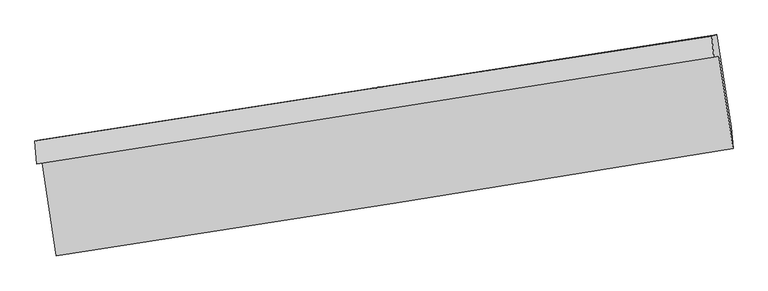
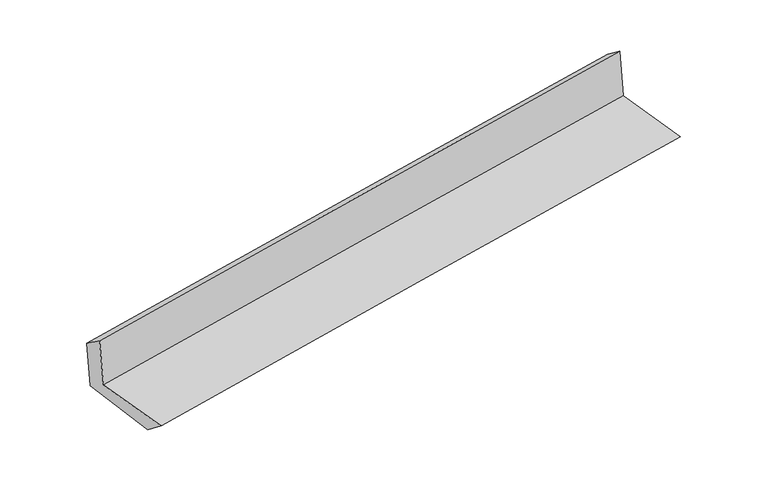
"""IFC4 building model written with IfcOpenShell, lengths in millimetres: proxy geometry."""

from ifc_helpers import new_model, si_unit, frame, origin, place, context, project, spatial, source, transform, mapped, element, save
from ifc_brep_helpers import plane_surface, spline_curve, spline_surface, advanced_brep


def generic_models_4b5380cd(model_context):
    return source(origin(), model_context, "Body", "AdvancedBrep", [
        advanced_brep(
        [(-2406.4180151, -1884.544536, 1670.5657718), (-2306.6859818, -2542.2201892, 1675.7582681), (2456.4452508, -1782.9984342, 2092.1851724), (2356.6083008, -1133.1177526, 2094.3003042), (-2442.8004568, -1892.2804497, 2078.7608664), (2320.2051841, -1140.8576079, 2502.6413637), (-2456.3768226, -1733.0315476, 1962.605565), (2307.5730424, -991.6041547, 2391.2733336), (-2421.8886227, -1724.5584786, 1573.7754659), (2342.0674606, -983.1301353, 2002.4438069), (-2319.8774766, -2374.835492, 1541.9485364), (2444.6810731, -1633.3150637, 1970.672326)],
        [
            (0, 1),
            (1, 2, spline_curve(3, [(-2306.6859818, -2542.2201892, 1675.7582681), (-1509.578244665, -2419.90136327, 1753.628196601), (-712.465620628, -2295.203739982, 1827.3912002), (875.244870143, -2042.091039392, 1966.133211902), (1665.842656778, -1913.714744138, 2031.179176402), (2456.4452508, -1782.9984342, 2092.1851724)], [4, 2, 4], [0.0, 7.97377940344578, 15.882292175509267])),
            (2, 3),
            (3, 0, spline_curve(3, [(2356.6083008, -1133.1177526, 2094.3003042), (1565.846135925, -1259.906168652, 2029.626396656), (775.176907181, -1385.666192873, 1962.13496545), (-812.500071953, -1636.158831429, 1820.936817615), (-1609.506281703, -1760.874401648, 1747.18340469), (-2406.4180151, -1884.544536, 1670.5657718)], [4, 2, 4], [0.0, 7.908512772063487, 15.882292175509267])),
            (4, 0),
            (3, 5),
            (5, 4, spline_curve(3, [(2320.2051841, -1140.8576079, 2502.6413637), (1529.745374418, -1267.581812058, 2434.589909395), (739.229653388, -1393.309272868, 2365.390701314), (-848.4379667, -1643.800072878, 2224.116224284), (-1645.590792822, -1768.546892837, 2152.02193347), (-2442.8004568, -1892.2804497, 2078.7608664)], [4, 2, 4], [0.0, 7.907880797844998, 15.881023011574818])),
            (6, 4),
            (5, 7),
            (7, 6, spline_curve(3, [(2307.5730424, -991.6041547, 2391.2733336), (1516.594274258, -1113.34472824, 2320.82715168), (725.739967657, -1235.744011403, 2250.029992155), (-862.245383653, -1482.875558642, 2107.146552981), (-1659.374365356, -1607.618739631, 2035.054456261), (-2456.3768226, -1733.0315476, 1962.605565)], [4, 2, 4], [0.0, 7.907680793212248, 15.880621351729872])),
            (8, 6),
            (7, 9),
            (9, 8, spline_curve(3, [(2342.0674606, -983.1301353, 2002.4438069), (1551.087651929, -1104.870868303, 1931.997529185), (760.232309028, -1227.270310153, 1861.200274324), (-827.755115141, -1474.402174194, 1718.316644227), (-1624.885133157, -1599.145513506, 1646.224452177), (-2421.8886227, -1724.5584786, 1573.7754659)], [4, 2, 4], [0.0, 7.907536033228002, 15.880330637099778])),
            (10, 8),
            (9, 11),
            (11, 10, spline_curve(3, [(2444.6810731, -1633.3150637, 1970.672326), (1653.600451034, -1755.071253498, 1900.216768018), (862.644700511, -1877.486066009, 1829.410271068), (-725.543552309, -2124.648626683, 1686.508157326), (-1522.77398501, -2249.40728991, 1614.406724467), (-2319.8774766, -2374.835492, 1541.9485364)], [4, 2, 4], [0.0, 7.908041079195387, 15.88134489703047])),
            (1, 10),
            (11, 2),
        ],
        [
            spline_surface(3, 3, [[(-2406.4180151, -1884.544536, 1670.5657718), (-1609.506281721, -1760.874401616, 1747.183404562), (-812.500071838, -1636.158831414, 1820.936817601), (775.176907067, -1385.666192887, 1962.134965464), (1565.846135833, -1259.906168603, 2029.626396543), (2356.6083008, -1133.1177526, 2094.3003042)], [(-2373.174003984, -2103.769753744, 1672.296603929), (-1576.196936012, -1980.550055483, 1749.331668604), (-779.155254722, -1855.840467593, 1823.088278474), (808.532894721, -1604.474475028, 1963.46771425), (1599.178309487, -1477.842360466, 2030.143989816), (2389.887284136, -1349.744646446, 2093.595260284)], [(-2339.929992916, -2322.994971456, 1674.027435971), (-1542.887590351, -2200.225709316, 1751.479932558), (-745.810437617, -2075.522103828, 1825.239739377), (841.888882364, -1823.282757226, 1964.800463066), (1632.510483132, -1695.778552392, 2030.661583037), (2423.166267464, -1566.371540354, 2092.890216316)], [(-2306.6859818, -2542.2201892, 1675.7582681), (-1509.578244642, -2419.901363183, 1753.628196599), (-712.465620501, -2295.203740007, 1827.39120025), (875.244870018, -2042.091039368, 1966.133211852), (1665.842656786, -1913.714744255, 2031.17917631), (2456.4452508, -1782.9984342, 2092.1851724)]], [4, 4], [4, 2, 4], [0.0, 2.18284828486039], [0.0, 7.97377940344578, 15.882292175509267]),
            spline_surface(3, 3, [[(-2442.8004568, -1892.2804497, 2078.7608664), (-1645.590792723, -1768.546892876, 2152.021933475), (-848.437966829, -1643.80007295, 2224.116224406), (739.229653516, -1393.309272797, 2365.390701193), (1529.745374532, -1267.581812131, 2434.589909348), (2320.2051841, -1140.8576079, 2502.6413637)], [(-2430.672976223, -1889.701811804, 1942.695834861), (-1633.562622379, -1765.989395794, 2017.075757165), (-836.458668516, -1641.252992446, 2089.723088828), (751.212071349, -1390.761579502, 2230.97212264), (1541.778961607, -1265.023264306, 2299.602071742), (2332.339556308, -1138.277656151, 2366.527677195)], [(-2418.545495677, -1887.123173896, 1806.630803339), (-1621.534452066, -1763.431898699, 1882.129580872), (-824.479370151, -1638.705911918, 1955.329953179), (763.194489234, -1388.213886182, 2096.553544017), (1553.812548758, -1262.464716428, 2164.61423415), (2344.473928592, -1135.697704349, 2230.413990705)], [(-2406.4180151, -1884.544536, 1670.5657718), (-1609.506281721, -1760.874401616, 1747.183404562), (-812.500071838, -1636.158831414, 1820.936817601), (775.176907067, -1385.666192887, 1962.134965464), (1565.846135833, -1259.906168603, 2029.626396543), (2356.6083008, -1133.1177526, 2094.3003042)]], [4, 4], [4, 2, 4], [0.0, 1.3283735216682377], [0.0, 7.973142213729821, 15.881023011574818]),
            spline_surface(3, 3, [[(-2456.3768226, -1733.0315476, 1962.605565), (-1659.374365224, -1607.618739684, 2035.054456276), (-862.245383544, -1482.875558603, 2107.146552936), (725.73996755, -1235.744011442, 2250.0299922), (1516.594274215, -1113.34472822, 2320.82715174), (2307.5730424, -991.6041547, 2391.2733336)], [(-2451.851367339, -1786.114514954, 2001.323998785), (-1654.779841063, -1661.261457402, 2074.043615327), (-857.642911302, -1536.517063378, 2146.136443425), (730.236529542, -1288.26576522, 2288.483561863), (1520.977974349, -1164.757089505, 2358.748070934), (2311.783756328, -1041.355305748, 2428.396010291)], [(-2447.325912061, -1839.197482346, 2040.042432615), (-1650.185316885, -1714.904175158, 2113.032774424), (-853.040439071, -1590.158568174, 2185.126333918), (734.733091523, -1340.787519019, 2326.93713153), (1525.361674398, -1216.169450846, 2396.668990154), (2315.994470172, -1091.106456852, 2465.518687009)], [(-2442.8004568, -1892.2804497, 2078.7608664), (-1645.590792723, -1768.546892876, 2152.021933475), (-848.437966829, -1643.80007295, 2224.116224406), (739.229653516, -1393.309272797, 2365.390701193), (1529.745374532, -1267.581812131, 2434.589909348), (2320.2051841, -1140.8576079, 2502.6413637)]], [4, 4], [4, 2, 4], [0.0, 0.6482918101123659], [0.0, 7.972940558517624, 15.880621351729872]),
            spline_surface(3, 3, [[(-2421.8886227, -1724.5584786, 1573.7754659), (-1624.885133149, -1599.145513416, 1646.224452154), (-827.755115034, -1474.402174171, 1718.316644254), (760.232308921, -1227.270310176, 1861.200274297), (1551.087651867, -1104.870868356, 1931.997529253), (2342.0674606, -983.1301353, 2002.4438069)], [(-2433.384689327, -1727.382834942, 1703.385498921), (-1636.381543834, -1601.96992218, 1775.834453516), (-839.251871197, -1477.226635658, 1847.926613823), (748.734861805, -1230.094877274, 1990.810180273), (1539.589859297, -1107.695488339, 2061.607403431), (2330.569321181, -985.954808461, 2132.053649149)], [(-2444.880755973, -1730.207191258, 1832.995531979), (-1647.877954539, -1604.79433092, 1905.444454915), (-850.748627381, -1480.051097116, 1977.536583367), (737.237414666, -1232.919444344, 2120.420086224), (1528.092066785, -1110.520108237, 2191.217277562), (2319.071181819, -988.779481539, 2261.663491351)], [(-2456.3768226, -1733.0315476, 1962.605565), (-1659.374365224, -1607.618739684, 2035.054456276), (-862.245383544, -1482.875558603, 2107.146552936), (725.73996755, -1235.744011442, 2250.0299922), (1516.594274215, -1113.34472822, 2320.82715174), (2307.5730424, -991.6041547, 2391.2733336)]], [4, 4], [4, 2, 4], [0.0, 1.280999198991497], [0.0, 7.972794603871776, 15.880330637099778]),
            spline_surface(3, 3, [[(-2319.8774766, -2374.835492, 1541.9485364), (-1522.773984967, -2249.407289926, 1614.406724597), (-725.543552294, -2124.648626558, 1686.508157396), (862.644700496, -1877.486066133, 1829.410270999), (1653.600451063, -1755.071253454, 1900.216768003), (2444.6810731, -1633.3150637, 1970.672326)], [(-2353.881191978, -2158.076487522, 1552.557512932), (-1556.811034372, -2032.653364411, 1625.012633815), (-759.614073223, -1907.899809073, 1697.11098633), (828.507236622, -1660.747480791, 1840.006938747), (1619.42951801, -1538.337791752, 1910.810355059), (2410.476535612, -1416.586754231, 1981.262819606)], [(-2387.884907322, -1941.317483078, 1563.166489368), (-1590.848083744, -1815.899438931, 1635.618542936), (-793.684594105, -1691.150991656, 1707.71381532), (794.369772795, -1444.008895518, 1850.60360655), (1585.25858492, -1321.604330058, 1921.403942197), (2376.271998088, -1199.858444769, 1991.853313294)], [(-2421.8886227, -1724.5584786, 1573.7754659), (-1624.885133149, -1599.145513416, 1646.224452154), (-827.755115034, -1474.402174171, 1718.316644254), (760.232308921, -1227.270310176, 1861.200274297), (1551.087651867, -1104.870868356, 1931.997529253), (2342.0674606, -983.1301353, 2002.4438069)]], [4, 4], [4, 2, 4], [0.0, 2.162069561735377], [0.0, 7.973303817835083, 15.88134489703047]),
            spline_surface(3, 3, [[(-2306.6859818, -2542.2201892, 1675.7582681), (-1509.578244642, -2419.901363183, 1753.628196599), (-712.465620501, -2295.203740007, 1827.39120025), (875.244870018, -2042.091039368, 1966.133211852), (1665.842656786, -1913.714744255, 2031.17917631), (2456.4452508, -1782.9984342, 2092.1851724)], [(-2311.08314675, -2486.425290135, 1631.155024171), (-1513.976824766, -2363.070005432, 1707.221039237), (-716.824931081, -2238.352035554, 1780.430185963), (871.044813528, -1987.222714987, 1920.558898232), (1661.761921546, -1860.833580651, 1987.525040216), (2452.523858235, -1733.103977363, 2051.680890275)], [(-2315.48031165, -2430.630391065, 1586.551780329), (-1518.375404842, -2306.238647677, 1660.81388196), (-721.184241714, -2181.50033101, 1733.469171683), (866.844756986, -1932.354390514, 1874.984584619), (1657.681186303, -1807.952417058, 1943.870904097), (2448.602465665, -1683.209520537, 2011.176608125)], [(-2319.8774766, -2374.835492, 1541.9485364), (-1522.773984967, -2249.407289926, 1614.406724597), (-725.543552294, -2124.648626558, 1686.508157396), (862.644700496, -1877.486066133, 1829.410270999), (1653.600451063, -1755.071253454, 1900.216768003), (2444.6810731, -1633.3150637, 1970.672326)]], [4, 4], [4, 2, 4], [0.0, 0.715246206573405], [0.0, 7.974043355484704, 15.882817919098398]),
            plane_surface(frame((2371.2633853, -1277.5038581, 2175.5860511), z_axis=(0.9843824636287549, 0.15092935993733786, 0.09061729199820956), x_axis=(-0.08834561619119556, -0.021703293190479037, 0.9958534124882468))),
            plane_surface(frame((-2392.3412293, -2025.2451155, 1750.5690789), z_axis=(-0.9845248899316816, -0.15001175130273567, -0.09059368397463839), x_axis=(-0.14992455991765247, 0.988666625658907, -0.007805744149605106))),
        ],
        [
            (0, [[1, 2, 3, 4]]),
            (1, [[5, -4, 6, 7]]),
            (2, [[8, -7, 9, 10]]),
            (3, [[11, -10, 12, 13]]),
            (4, [[14, -13, 15, 16]]),
            (5, [[17, -16, 18, -2]]),
            (6, [[-12, -9, -6, -3, -18, -15]]),
            (7, [[-1, -5, -8, -11, -14, -17]]),
        ],
    ),
    ])


if __name__ == "__main__":
    model = new_model("IFC4")
    model_context = context("Model", 3, world=origin())
    ifc_project = project(units=[si_unit("LENGTHUNIT", "METRE", prefix="MILLI")], contexts=[model_context])
    site = spatial("IfcSite", under=ifc_project)
    building = spatial("IfcBuilding", under=site)
    placement = place(None, origin())
    generic_models_shape = generic_models_4b5380cd(model_context)
    element("IfcBuildingElementProxy", 1, Name="Generic Models", at=placement, inside=building, context=model_context, shape_type="MappedRepresentation", body=[
        mapped(generic_models_shape, transform((0.0, 0.0, 0.0), x_axis=(1.0, 0.0, 0.0), y_axis=(0.0, 1.0, 0.0), z_axis=(0.0, 0.0, 1.0))),
    ])
    save(model, "model.ifc")
